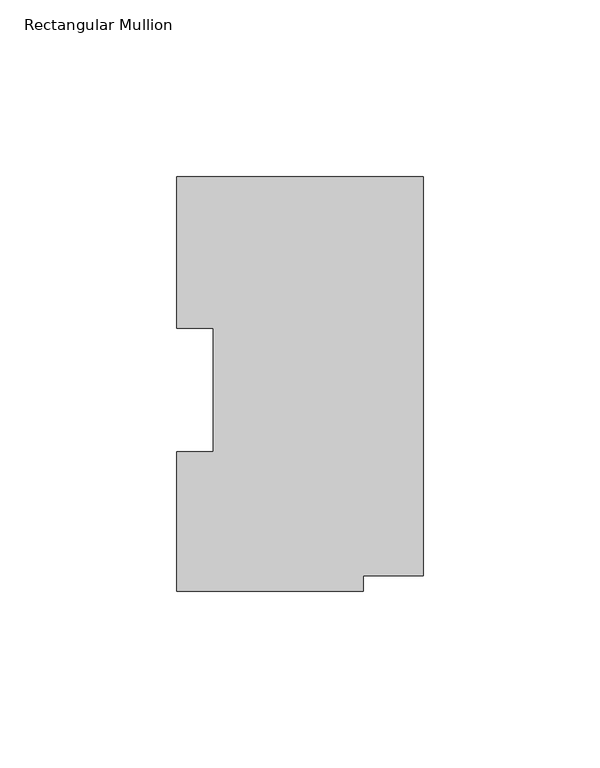
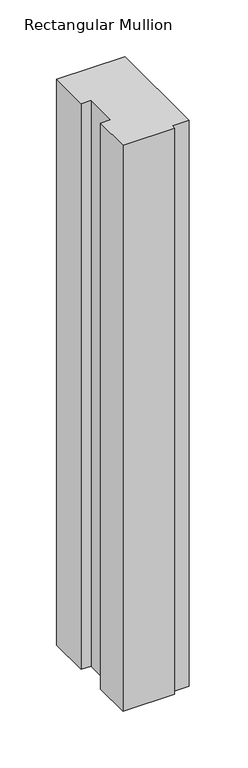
"""IFC4 building model written with IfcOpenShell, lengths in millimetres: member geometry, Rectangular Mullion."""

from ifc_helpers import new_model, si_unit, frame, origin, place, context, project, spatial, polyline, outline, extrude, source, transform, mapped, element, save


def rectangular_mullion_229f61ba(model_context):
    return source(origin(), model_context, "Body", "SweptSolid", [
        extrude(outline(polyline([(0.0, 117.3749875), (0.0, 4.2941875), (-17.0688, 4.2941875), (-17.0688, 0.0269875), (-69.85, 0.0269875), (-69.85, 39.4477875), (-59.5376, 39.4477875), (-59.5376, 74.3981875), (-69.85, 74.3981875), (-69.85, 117.3749875), (0.0, 117.3749875)])), frame((0.0, 0.0, -609.6), z_axis=(0.0, 0.0, 1.0), x_axis=(1.0, 0.0, 0.0)), (0.0, 0.0, 1.0), 609.6),
    ])


if __name__ == "__main__":
    model = new_model("IFC4")
    model_context = context("Model", 3, world=origin())
    ifc_project = project(units=[si_unit("LENGTHUNIT", "METRE", prefix="MILLI")], contexts=[model_context])
    site = spatial("IfcSite", under=ifc_project)
    building = spatial("IfcBuilding", under=site)
    placement = place(None, origin())
    rectangular_mullion_shape = rectangular_mullion_229f61ba(model_context)
    element("IfcMember", 1, ObjectType="Rectangular Mullion", at=placement, inside=building, context=model_context, shape_type="MappedRepresentation", body=[
        mapped(rectangular_mullion_shape, transform((0.0, 0.0, 0.0), x_axis=(1.0, 0.0, 0.0), y_axis=(0.0, 1.0, 0.0), z_axis=(0.0, 0.0, 1.0))),
    ])
    save(model, "model.ifc")
